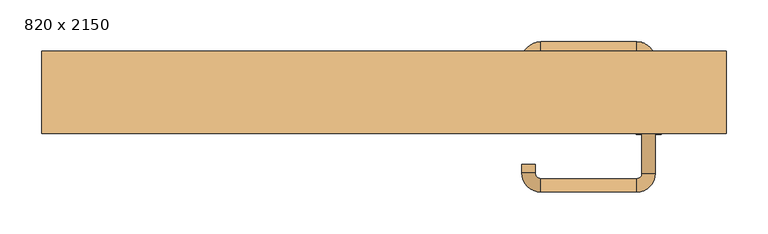
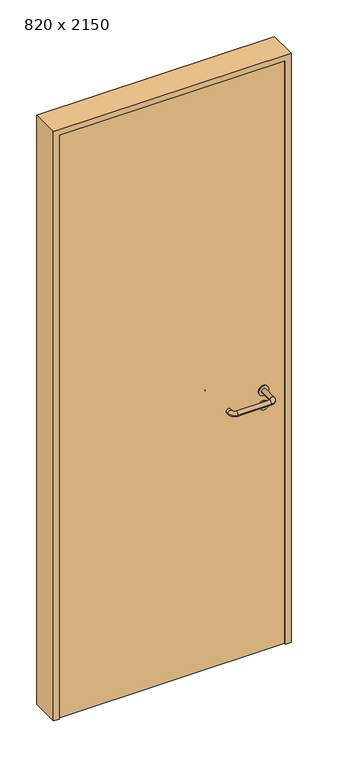
"""IFC4 building model written with IfcOpenShell, lengths in millimetres: door geometry, 820 x 2150."""

from ifc_helpers import new_model, si_unit, point, frame, frame_2d, origin, origin_with_axes, place, context, project, spatial, polyline, circle_curve, ellipse_curve, trimmed, segment, composite_curve, outline, extrude, source, transform, mapped, element, save
from ifc_brep_helpers import plane_surface, cylinder_surface, revolved_surface, advanced_brep


def door_820_x_2150_82974a57(model_context):
    return source(origin(), model_context, "Body", "SolidModel", [
        extrude(outline(composite_curve([segment(trimmed(circle_curve(frame_2d((897.3605726, 317.0)), 15.0), [point((897.3605726, 332.0))], [point((897.3605726, 302.0))], False, "CARTESIAN"), True, "CONTINUOUS"), segment(trimmed(circle_curve(frame_2d((897.3605726, 317.0)), 15.0), [point((897.3605726, 302.0))], [point((897.3605726, 332.0))], False, "CARTESIAN"), True, "CONTINUOUS")], self_intersect=False), holes=[composite_curve([segment(trimmed(circle_curve(frame_2d((892.5833211, 316.9398032)), 2.0), [point((892.5833211, 318.9398032))], [point((892.5833211, 314.9398032))], True, "CARTESIAN"), True, "CONTINUOUS"), segment(polyline([(892.5833211, 314.9398032), (902.5833211, 314.9398032)]), True, "CONTINUOUS"), segment(trimmed(circle_curve(frame_2d((902.5833211, 316.9398032)), 2.0), [point((902.5833211, 314.9398032))], [point((902.5833211, 318.9398032))], True, "CARTESIAN"), True, "CONTINUOUS"), segment(polyline([(902.5833211, 318.9398032), (892.5833211, 318.9398032)]), True, "CONTINUOUS")], self_intersect=False)]), frame((0.0, -15.0, 0.0), z_axis=(0.0, 1.0, 0.0), x_axis=(0.0, 0.0, 1.0)), (0.0, 0.0, 1.0), 6.35),
        extrude(outline(composite_curve([segment(trimmed(circle_curve(frame_2d((950.0, 317.0)), 17.526), [point((950.0, 334.526))], [point((950.0, 299.474))], False, "CARTESIAN"), True, "CONTINUOUS"), segment(trimmed(circle_curve(frame_2d((950.0, 317.0)), 17.526), [point((950.0, 299.474))], [point((950.0, 334.526))], False, "CARTESIAN"), True, "CONTINUOUS")], self_intersect=False)), frame((0.0, -15.0, 0.0), z_axis=(0.0, 1.0, 0.0), x_axis=(0.0, 0.0, 1.0)), (0.0, 0.0, 1.0), 3.175),
        advanced_brep(
        [(325.0, -15.0, 950.0), (309.0, -15.0, 950.0), (325.0, 38.0, 950.0), (309.0, 38.0, 950.0), (302.8578644, 44.1421356, 950.0), (302.8578644, 60.1421356, 950.0), (187.8578644, 60.1421356, 950.0), (187.8578644, 44.1421356, 950.0), (181.008622, 37.2928932, 950.0), (165.008622, 37.2928932, 950.0), (165.008622, 27.2928932, 950.0), (181.008622, 27.2928932, 950.0)],
        [
            (0, 1, circle_curve(frame((317.0, -15.0, 950.0), z_axis=(0.0, -1.0, 0.0), x_axis=(-1.0, 0.0, 0.0)), 8.0)),
            (1, 0, circle_curve(frame((317.0, -15.0, 950.0), z_axis=(0.0, -1.0, 0.0), x_axis=(-1.0, 0.0, 0.0)), 8.0)),
            (0, 2),
            (2, 3, circle_curve(frame((317.0, 38.0, 950.0), z_axis=(0.0, -1.0, 0.0), x_axis=(-1.0, 0.0, 0.0)), 8.0)),
            (3, 1),
            (3, 2, circle_curve(frame((317.0, 38.0, 950.0), z_axis=(0.0, -1.0, 0.0), x_axis=(-1.0, 0.0, 0.0)), 8.0)),
            (4, 3, circle_curve(frame((302.8578644, 38.0, 950.0), z_axis=(0.0, 0.0, -1.0), x_axis=(1.0, 0.0, 0.0)), 6.1421356)),
            (2, 5, circle_curve(frame((302.8578644, 38.0, 950.0), z_axis=(0.0, 0.0, 1.0), x_axis=(1.0, 0.0, 0.0)), 22.1421356)),
            (5, 4, circle_curve(frame((302.8578644, 52.1421356, 950.0), z_axis=(1.0, 0.0, 0.0), x_axis=(0.0, -1.0, 0.0)), 8.0)),
            (4, 5, circle_curve(frame((302.8578644, 52.1421356, 950.0), z_axis=(1.0, 0.0, 0.0), x_axis=(0.0, -1.0, 0.0)), 8.0)),
            (5, 6),
            (6, 7, circle_curve(frame((187.8578644, 52.1421356, 950.0), z_axis=(1.0, 0.0, 0.0), x_axis=(0.0, -1.0, 0.0)), 8.0)),
            (7, 4),
            (7, 6, circle_curve(frame((187.8578644, 52.1421356, 950.0), z_axis=(1.0, 0.0, 0.0), x_axis=(0.0, -1.0, 0.0)), 8.0)),
            (8, 7, circle_curve(frame((187.8578644, 37.2928932, 950.0), z_axis=(0.0, 0.0, -1.0), x_axis=(0.0, 1.0, 0.0)), 6.8492424)),
            (6, 9, circle_curve(frame((187.8578644, 37.2928932, 950.0), z_axis=(0.0, 0.0, 1.0), x_axis=(0.0, 1.0, 0.0)), 22.8492424)),
            (9, 8, circle_curve(frame((173.008622, 37.2928932, 950.0), z_axis=(0.0, 1.0, 0.0), x_axis=(1.0, 0.0, 0.0)), 8.0)),
            (8, 9, circle_curve(frame((173.008622, 37.2928932, 950.0), z_axis=(0.0, 1.0, 0.0), x_axis=(1.0, 0.0, 0.0)), 8.0)),
            (10, 11, circle_curve(frame((173.008622, 27.2928932, 950.0), z_axis=(0.0, -1.0, 0.0), x_axis=(1.0, 0.0, 0.0)), 8.0)),
            (11, 10, circle_curve(frame((173.008622, 27.2928932, 950.0), z_axis=(0.0, -1.0, 0.0), x_axis=(1.0, 0.0, 0.0)), 8.0)),
            (9, 10),
            (11, 8),
        ],
        [
            plane_surface(frame((317.0, -15.0, 0.0), z_axis=(0.0, -1.0, 0.0), x_axis=(0.0, 0.0, 1.0))),
            cylinder_surface(frame((317.0, -15.0, 950.0), z_axis=(0.0, -1.0, 0.0), x_axis=(-1.0, 0.0, 0.0)), 8.0),
            revolved_surface(trimmed(ellipse_curve(frame((317.0, 38.0, 950.0), z_axis=(0.0, -1.0, 0.0), x_axis=(-1.0, 0.0, 0.0)), 8.0, 8.0), [point((325.0, 38.0, 950.0))], [point((309.0, 38.0, 950.0))], True, "CARTESIAN"), (302.8578644, 38.0, 0.0), (0.0, 0.0, 1.0)),
            revolved_surface(trimmed(ellipse_curve(frame((317.0, 38.0, 950.0), z_axis=(0.0, -1.0, 0.0), x_axis=(-1.0, 0.0, 0.0)), 8.0, 8.0), [point((309.0, 38.0, 950.0))], [point((325.0, 38.0, 950.0))], True, "CARTESIAN"), (302.8578644, 38.0, 0.0), (0.0, 0.0, 1.0)),
            cylinder_surface(frame((302.8578644, 52.1421356, 950.0), z_axis=(1.0, 0.0, 0.0), x_axis=(0.0, -1.0, 0.0)), 8.0),
            revolved_surface(trimmed(ellipse_curve(frame((187.8578644, 52.1421356, 950.0), z_axis=(1.0, 0.0, 0.0), x_axis=(0.0, -1.0, 0.0)), 8.0, 8.0), [point((187.8578644, 60.1421356, 950.0))], [point((187.8578644, 44.1421356, 950.0))], True, "CARTESIAN"), (187.8578644, 37.2928932, 0.0), (0.0, 0.0, 1.0)),
            revolved_surface(trimmed(ellipse_curve(frame((187.8578644, 52.1421356, 950.0), z_axis=(1.0, 0.0, 0.0), x_axis=(0.0, -1.0, 0.0)), 8.0, 8.0), [point((187.8578644, 44.1421356, 950.0))], [point((187.8578644, 60.1421356, 950.0))], True, "CARTESIAN"), (187.8578644, 37.2928932, 0.0), (0.0, 0.0, 1.0)),
            plane_surface(frame((173.008622, 27.2928932, 0.0), z_axis=(0.0, -1.0, 0.0), x_axis=(0.0, 0.0, 1.0))),
            cylinder_surface(frame((173.008622, 37.2928932, 950.0), z_axis=(0.0, 1.0, 0.0), x_axis=(1.0, 0.0, 0.0)), 8.0),
        ],
        [
            (0, [[1, 2]]),
            (1, [[-1, 3, 4, 5]]),
            (1, [[-2, -5, 6, -3]]),
            (2, [[7, -4, 8, 9]]),
            (3, [[-8, -6, -7, 10]]),
            (4, [[-9, 11, 12, 13]]),
            (4, [[-10, -13, 14, -11]]),
            (5, [[15, -12, 16, 17]]),
            (6, [[-16, -14, -15, 18]]),
            (7, [[19, 20]]),
            (8, [[-17, 21, -20, 22]]),
            (8, [[-18, -22, -19, -21]]),
        ],
    ),
        extrude(outline(composite_curve([segment(trimmed(circle_curve(frame_2d((0.0, 15.0)), 15.0), [point((0.0, 30.0))], [point((0.0, 0.0))], False, "CARTESIAN"), True, "CONTINUOUS"), segment(trimmed(circle_curve(frame_2d((0.0, 15.0)), 15.0), [point((0.0, 0.0))], [point((0.0, 30.0))], False, "CARTESIAN"), True, "CONTINUOUS")], self_intersect=False), holes=[composite_curve([segment(trimmed(circle_curve(frame_2d((-4.7772515, 14.9398032)), 2.0), [point((-4.7772515, 16.9398032))], [point((-4.7772515, 12.9398032))], True, "CARTESIAN"), True, "CONTINUOUS"), segment(polyline([(-4.7772515, 12.9398032), (5.2227485, 12.9398032)]), True, "CONTINUOUS"), segment(trimmed(circle_curve(frame_2d((5.2227485, 14.9398032)), 2.0), [point((5.2227485, 12.9398032))], [point((5.2227485, 16.9398032))], True, "CARTESIAN"), True, "CONTINUOUS"), segment(polyline([(5.2227485, 16.9398032), (-4.7772515, 16.9398032)]), True, "CONTINUOUS")], self_intersect=False)]), frame((302.0, -51.35, 897.3605726), z_axis=(-1.8870575173328306e-12, 1.0, 0.0), x_axis=(0.0, 0.0, 1.0)), (0.0, 0.0, 1.0), 6.35),
        extrude(outline(composite_curve([segment(trimmed(circle_curve(frame_2d((0.0, 17.526)), 17.526), [point((0.0, 35.052))], [point((0.0, 0.0))], False, "CARTESIAN"), True, "CONTINUOUS"), segment(trimmed(circle_curve(frame_2d((0.0, 17.526)), 17.526), [point((0.0, 0.0))], [point((0.0, 35.052))], False, "CARTESIAN"), True, "CONTINUOUS")], self_intersect=False)), frame((299.474, -48.175, 950.0), z_axis=(-1.8870575173328306e-12, 1.0, 0.0), x_axis=(0.0, 0.0, 1.0)), (0.0, 0.0, 1.0), 3.175),
        advanced_brep(
        [(325.0, -45.0, 950.0), (309.0, -45.0, 950.0), (309.0, -98.0, 950.0), (325.0, -98.0, 950.0), (302.8578644, -104.1421356, 950.0), (302.8578644, -120.1421356, 950.0), (187.8578644, -104.1421356, 950.0), (187.8578644, -120.1421356, 950.0), (181.008622, -97.2928932, 950.0), (165.008622, -97.2928932, 950.0), (165.008622, -87.2928932, 950.0), (181.008622, -87.2928932, 950.0)],
        [
            (0, 1, circle_curve(frame((317.0, -45.0, 950.0), z_axis=(-1.888672253512351e-12, 1.0, 0.0), x_axis=(-1.0, -1.888672253512351e-12, 0.0)), 8.0)),
            (1, 0, circle_curve(frame((317.0, -45.0, 950.0), z_axis=(-1.888672253512351e-12, 1.0, 0.0), x_axis=(-1.0, -1.888672253512351e-12, 0.0)), 8.0)),
            (1, 2),
            (2, 3, circle_curve(frame((317.0, -98.0, 950.0), z_axis=(-1.888672253512351e-12, 1.0, 0.0), x_axis=(-1.0, -1.888672253512351e-12, 0.0)), 8.0)),
            (3, 0),
            (3, 2, circle_curve(frame((317.0, -98.0, 950.0), z_axis=(-1.888672253512351e-12, 1.0, 0.0), x_axis=(-1.0, -1.888672253512351e-12, 0.0)), 8.0)),
            (4, 5, circle_curve(frame((302.8578644, -112.1421356, 950.0), z_axis=(1.0, 1.913702061528922e-12, 0.0), x_axis=(-1.913702061528922e-12, 1.0, 0.0)), 8.0)),
            (5, 3, circle_curve(frame((302.8578644, -98.0, 950.0), z_axis=(0.0, 0.0, 1.0), x_axis=(1.0, 1.880717803715015e-12, 0.0)), 22.1421356)),
            (2, 4, circle_curve(frame((302.8578644, -98.0, 950.0), z_axis=(0.0, 0.0, -1.0), x_axis=(1.0, 1.880717803715015e-12, 0.0)), 6.1421356)),
            (5, 4, circle_curve(frame((302.8578644, -112.1421356, 950.0), z_axis=(1.0, 1.913702061528922e-12, 0.0), x_axis=(-1.913702061528922e-12, 1.0, 0.0)), 8.0)),
            (4, 6),
            (6, 7, circle_curve(frame((187.8578644, -112.1421356, 950.0), z_axis=(1.0, 1.913719828541269e-12, 0.0), x_axis=(-1.913719828541269e-12, 1.0, 0.0)), 8.0)),
            (7, 5),
            (7, 6, circle_curve(frame((187.8578644, -112.1421356, 950.0), z_axis=(1.0, 1.913719828541269e-12, 0.0), x_axis=(-1.913719828541269e-12, 1.0, 0.0)), 8.0)),
            (8, 9, circle_curve(frame((173.008622, -97.2928932, 950.0), z_axis=(1.8888942981172756e-12, -1.0, 0.0), x_axis=(1.0, 1.8888942981172756e-12, 0.0)), 8.0)),
            (9, 7, circle_curve(frame((187.8578644, -97.2928932, 950.0), z_axis=(0.0, 0.0, 1.0), x_axis=(1.9120873253494017e-12, -1.0, 0.0)), 22.8492424)),
            (6, 8, circle_curve(frame((187.8578644, -97.2928932, 950.0), z_axis=(0.0, 0.0, -1.0), x_axis=(1.9120873253494017e-12, -1.0, 0.0)), 6.8492424)),
            (9, 8, circle_curve(frame((173.008622, -97.2928932, 950.0), z_axis=(1.890448610351751e-12, -1.0, 0.0), x_axis=(1.0, 1.890448610351751e-12, 0.0)), 8.0)),
            (10, 11, circle_curve(frame((173.008622, -87.2928932, 950.0), z_axis=(-1.8903642334018795e-12, 1.0, 0.0), x_axis=(1.0, 1.8903642334018795e-12, 0.0)), 8.0)),
            (11, 10, circle_curve(frame((173.008622, -87.2928932, 950.0), z_axis=(-1.8903642334018795e-12, 1.0, 0.0), x_axis=(1.0, 1.8903642334018795e-12, 0.0)), 8.0)),
            (8, 11),
            (10, 9),
        ],
        [
            plane_surface(frame((317.0, -45.0, 0.0), z_axis=(-1.8870575173328306e-12, 1.0, 0.0), x_axis=(0.0, 0.0, 1.0))),
            cylinder_surface(frame((317.0, -45.0, 950.0), z_axis=(-1.888672253512351e-12, 1.0, 0.0), x_axis=(-1.0, -1.888672253512351e-12, 0.0)), 8.0),
            revolved_surface(trimmed(ellipse_curve(frame((317.0, -98.0, 950.0), z_axis=(1.8823325398945356e-12, -1.0, 0.0), x_axis=(-1.0, -1.8823325398945356e-12, 0.0)), 8.0, 8.0), [point((325.0, -98.0, 950.0))], [point((309.0, -98.0, 950.0))], True, "CARTESIAN"), (302.8578644, -98.0, 0.0), (0.0, 0.0, 1.0)),
            revolved_surface(trimmed(ellipse_curve(frame((317.0, -98.0, 950.0), z_axis=(1.8823325398945356e-12, -1.0, 0.0), x_axis=(-1.0, -1.8823325398945356e-12, 0.0)), 8.0, 8.0), [point((309.0, -98.0, 950.0))], [point((325.0, -98.0, 950.0))], True, "CARTESIAN"), (302.8578644, -98.0, 0.0), (0.0, 0.0, 1.0)),
            cylinder_surface(frame((302.8578644, -112.1421356, 950.0), z_axis=(1.0, 1.913719828541269e-12, 0.0), x_axis=(-1.913719828541269e-12, 1.0, 0.0)), 8.0),
            revolved_surface(trimmed(ellipse_curve(frame((187.8578644, -112.1421356, 950.0), z_axis=(-1.0, -1.913702061528922e-12, 0.0), x_axis=(-1.913702061528922e-12, 1.0, 0.0)), 8.0, 8.0), [point((187.8578644, -120.1421356, 950.0))], [point((187.8578644, -104.1421356, 950.0))], True, "CARTESIAN"), (187.8578644, -97.2928932, 0.0), (0.0, 0.0, 1.0)),
            revolved_surface(trimmed(ellipse_curve(frame((187.8578644, -112.1421356, 950.0), z_axis=(-1.0, -1.913702061528922e-12, 0.0), x_axis=(-1.913702061528922e-12, 1.0, 0.0)), 8.0, 8.0), [point((187.8578644, -104.1421356, 950.0))], [point((187.8578644, -120.1421356, 950.0))], True, "CARTESIAN"), (187.8578644, -97.2928932, 0.0), (0.0, 0.0, 1.0)),
            plane_surface(frame((173.008622, -87.2928932, 0.0), z_axis=(-1.8887494972223595e-12, 1.0, 0.0), x_axis=(0.0, 0.0, 1.0))),
            cylinder_surface(frame((173.008622, -97.2928932, 950.0), z_axis=(1.8903642334018795e-12, -1.0, 0.0), x_axis=(1.0, 1.8903642334018795e-12, 0.0)), 8.0),
        ],
        [
            (0, [[1, 2]]),
            (1, [[3, 4, 5, -2]]),
            (1, [[-5, 6, -3, -1]]),
            (2, [[7, 8, -4, 9]]),
            (3, [[10, -9, -6, -8]]),
            (4, [[11, 12, 13, -7]]),
            (4, [[-13, 14, -11, -10]]),
            (5, [[15, 16, -12, 17]]),
            (6, [[18, -17, -14, -16]]),
            (7, [[19, 20]]),
            (8, [[21, -19, 22, -15]]),
            (8, [[-22, -20, -21, -18]]),
        ],
    ),
        extrude(outline(polyline([(2130.0, 390.0), (0.0, 390.0), (0.0, 410.0), (2150.0, 410.0), (2150.0, -410.0), (0.0, -410.0), (0.0, -390.0), (2130.0, -390.0), (2130.0, 390.0)])), frame((0.0, -50.0, 0.0), z_axis=(0.0, 1.0, 0.0), x_axis=(0.0, 0.0, 1.0)), (0.0, 0.0, 1.0), 99.0),
        extrude(outline(polyline([(-390.0, -45.0), (-390.0, -15.0), (390.0, -15.0), (390.0, -45.0), (-390.0, -45.0)])), origin_with_axes(), (0.0, 0.0, 1.0), 2130.0),
    ])


if __name__ == "__main__":
    model = new_model("IFC4")
    model_context = context("Model", 3, world=origin())
    ifc_project = project(units=[si_unit("LENGTHUNIT", "METRE", prefix="MILLI")], contexts=[model_context])
    site = spatial("IfcSite", under=ifc_project)
    building = spatial("IfcBuilding", under=site)
    placement = place(None, origin())
    door_820_x_2150_shape = door_820_x_2150_82974a57(model_context)
    element("IfcDoor", 1, ObjectType="820 x 2150", at=placement, inside=building, context=model_context, shape_type="MappedRepresentation", body=[
        mapped(door_820_x_2150_shape, transform((0.0, 0.0, 0.0), x_axis=(1.0, 0.0, 0.0), y_axis=(0.0, 1.0, 0.0), z_axis=(0.0, 0.0, 1.0))),
    ])
    save(model, "model.ifc")
